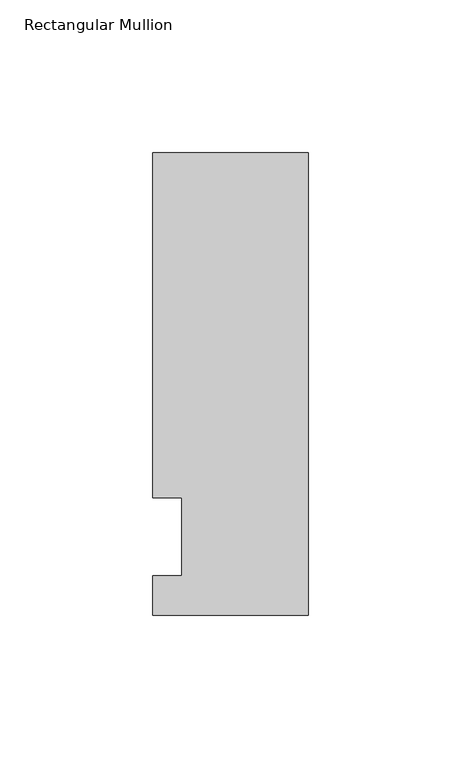
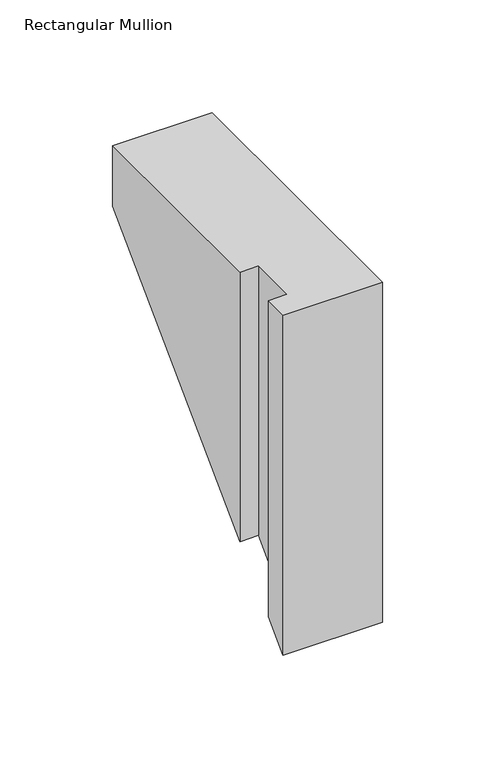
"""IFC4 building model written with IfcOpenShell, lengths in millimetres: member geometry, Rectangular Mullion."""

from ifc_helpers import new_model, si_unit, origin, place, context, project, spatial, faceted_brep, source, transform, mapped, element, save


def rectangular_mullion_a287f6c3(model_context):
    return source(origin(), model_context, "Body", "Brep", [
        faceted_brep([(-50.8, -25.5984375, 0.0), (0.0, -25.5984375, 0.0), (0.0, 125.6109375, 0.0), (-50.8, 125.6109375, 0.0), (-50.8, 12.7, 0.0), (-41.275, 12.7, 0.0), (-41.275, -12.7, 0.0), (-50.8, -12.7, 0.0), (-50.8, -25.5984375, -184.1148163), (0.0, -25.5984375, -184.1148163), (0.0, 125.6109375, -32.9054413), (-50.8, 125.6109375, -32.9054413), (-50.8, 12.7, -145.8163788), (-41.275, 12.7, -145.8163788), (-41.275, -12.7, -171.2163788), (-50.8, -12.7, -171.2163788)], [[[0, 1, 2, 3, 4, 5, 6, 7]], [[1, 0, 8, 9]], [[2, 1, 9, 10]], [[3, 2, 10, 11]], [[4, 3, 11, 12]], [[5, 4, 12, 13]], [[6, 5, 13, 14]], [[7, 6, 14, 15]], [[0, 7, 15, 8]], [[8, 15, 14, 13, 12, 11, 10, 9]]]),
    ])


if __name__ == "__main__":
    model = new_model("IFC4")
    model_context = context("Model", 3, world=origin())
    ifc_project = project(units=[si_unit("LENGTHUNIT", "METRE", prefix="MILLI")], contexts=[model_context])
    site = spatial("IfcSite", under=ifc_project)
    building = spatial("IfcBuilding", under=site)
    placement = place(None, origin())
    rectangular_mullion_shape = rectangular_mullion_a287f6c3(model_context)
    element("IfcMember", 1, ObjectType="Rectangular Mullion", at=placement, inside=building, context=model_context, shape_type="MappedRepresentation", body=[
        mapped(rectangular_mullion_shape, transform((0.0, 0.0, 0.0), x_axis=(1.0, 0.0, 0.0), y_axis=(0.0, 1.0, 0.0), z_axis=(0.0, 0.0, 1.0))),
    ])
    save(model, "model.ifc")
